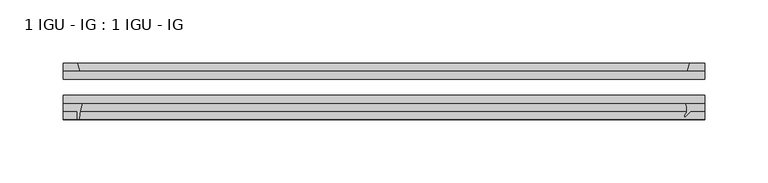
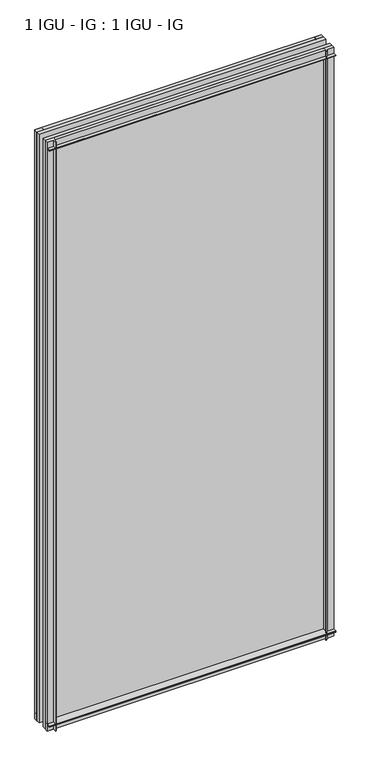
"""IFC4 building model written with IfcOpenShell, lengths in millimetres: plate geometry, 1 IGU - IG : 1 IGU - IG."""

from ifc_helpers import new_model, si_unit, point, frame, frame_2d, origin, place, context, project, spatial, polyline, circle_curve, trimmed, segment, composite_curve, outline, extrude, source, transform, mapped, element, save


def plate_1_igu_ig_1_igu_ig_953e06ad(model_context):
    return source(origin(), model_context, "Body", "SweptSolid", [
        extrude(outline(polyline([(254.0, -31.75), (254.0, -38.1), (-254.0, -38.1), (-254.0, -31.75), (254.0, -31.75)])), frame((0.0, 0.0, -11.1125), z_axis=(0.0, 0.0, 1.0), x_axis=(1.0, 0.0, 0.0)), (0.0, 0.0, 1.0), 1101.7245636),
        extrude(outline(polyline([(-254.0, -12.7), (254.0, -12.7), (254.0, -19.05), (-254.0, -19.05), (-254.0, -12.7)])), frame((0.0, 0.0, -11.1125), z_axis=(0.0, 0.0, 1.0), x_axis=(1.0, 0.0, 0.0)), (0.0, 0.0, 1.0), 1101.7245636),
        extrude(outline(polyline([(239.9410601, -12.7), (242.0463372, -6.35), (254.0, -6.35), (254.0, -12.7), (239.9410601, -12.7)])), frame((0.0, 0.0, -11.1125), z_axis=(0.0, 0.0, 1.0), x_axis=(1.0, 0.0, 0.0)), (0.0, 0.0, 1.0), 1101.7245636),
        extrude(outline(composite_curve([segment(trimmed(circle_curve(frame_2d((231.1489011, -42.5735189)), 8.7187667), [point((238.1488071, -47.7714232))], [point((238.632518, -38.1))], True, "CARTESIAN"), True, "CONTINUOUS"), segment(polyline([(238.632518, -38.1), (254.0, -38.1), (254.0, -44.45), (242.8875, -44.45), (238.4267906, -48.9107094)]), True, "CONTINUOUS"), segment(trimmed(circle_curve(frame_2d((238.7605826, -48.225708)), 0.762), [point((238.4267906, -48.9107094))], [point((238.1488071, -47.7714232))], False, "CARTESIAN"), True, "CONTINUOUS")], self_intersect=False)), frame((0.0, 0.0, -11.1125), z_axis=(0.0, 0.0, 1.0), x_axis=(1.0, 0.0, 0.0)), (0.0, 0.0, 1.0), 1101.7245636),
        extrude(outline(composite_curve([segment(polyline([(-254.0, -38.1), (-238.7063207, -38.1)]), True, "CONTINUOUS"), segment(trimmed(circle_curve(frame_2d((-195.4473044, -53.3794536)), 45.8781451), [point((-238.7063207, -38.1))], [point((-241.2075572, -50.0925922))], True, "CARTESIAN"), True, "CONTINUOUS"), segment(trimmed(circle_curve(frame_2d((-241.9675991, -50.038)), 0.762), [point((-241.2075572, -50.0925922))], [point((-241.9675991, -50.8))], False, "CARTESIAN"), True, "CONTINUOUS"), segment(polyline([(-241.9675991, -50.8), (-242.8875, -50.8), (-242.8875, -44.45), (-254.0, -44.45), (-254.0, -38.1)]), True, "CONTINUOUS")], self_intersect=False)), frame((0.0, 0.0, -11.1125), z_axis=(0.0, 0.0, 1.0), x_axis=(1.0, 0.0, 0.0)), (0.0, 0.0, 1.0), 1101.7245636),
        extrude(outline(polyline([(-240.7822229, -12.7), (-254.0, -12.7), (-254.0, -6.35), (-242.8875, -6.35), (-240.7822229, -12.7)])), frame((0.0, 0.0, -11.1125), z_axis=(0.0, 0.0, 1.0), x_axis=(1.0, 0.0, 0.0)), (0.0, 0.0, 1.0), 1101.7245636),
        extrude(outline(polyline([(-12.7, -11.1125), (-12.7, 2.1052771), (-6.35, 0.0), (-6.35, -11.1125), (-12.7, -11.1125)])), frame((-254.0, 0.0, 0.0), z_axis=(1.0, 0.0, 0.0), x_axis=(0.0, 1.0, 0.0)), (0.0, 0.0, 1.0), 508.0),
        extrude(outline(composite_curve([segment(polyline([(-38.1, 4.1811793), (-38.1, -11.1125), (-44.45, -11.1125), (-44.45, 0.0), (-50.8, 0.0), (-50.8, 0.9199009)]), True, "CONTINUOUS"), segment(trimmed(circle_curve(frame_2d((-50.038, 0.9199009)), 0.762), [point((-50.8, 0.9199009))], [point((-50.0925922, 1.6799428))], False, "CARTESIAN"), True, "CONTINUOUS"), segment(trimmed(circle_curve(frame_2d((-53.3794536, 47.4401956)), 45.8781451), [point((-50.0925922, 1.6799428))], [point((-38.1, 4.1811793))], True, "CARTESIAN"), True, "CONTINUOUS")], self_intersect=False)), frame((-254.0, 0.0, 0.0), z_axis=(1.0, 0.0, 0.0), x_axis=(0.0, 1.0, 0.0)), (0.0, 0.0, 1.0), 508.0),
        extrude(outline(polyline([(-6.35, 1079.4995636), (-12.7, 1077.3942865), (-12.7, 1090.6120636), (-6.35, 1090.6120636), (-6.35, 1079.4995636)])), frame((-254.0, 0.0, 0.0), z_axis=(1.0, 0.0, 0.0), x_axis=(0.0, 1.0, 0.0)), (0.0, 0.0, 1.0), 508.0),
        extrude(outline(composite_curve([segment(polyline([(-38.1, 1090.6120636), (-38.1, 1075.3183843)]), True, "CONTINUOUS"), segment(trimmed(circle_curve(frame_2d((-53.3794536, 1032.059368)), 45.8781451), [point((-38.1, 1075.3183843))], [point((-50.0925922, 1077.8196208))], True, "CARTESIAN"), True, "CONTINUOUS"), segment(trimmed(circle_curve(frame_2d((-50.038, 1078.5796627)), 0.762), [point((-50.0925922, 1077.8196208))], [point((-50.8, 1078.5796627))], False, "CARTESIAN"), True, "CONTINUOUS"), segment(polyline([(-50.8, 1078.5796627), (-50.8, 1079.4995636), (-44.45, 1079.4995636), (-44.45, 1090.6120636), (-38.1, 1090.6120636)]), True, "CONTINUOUS")], self_intersect=False)), frame((-254.0, 0.0, 0.0), z_axis=(1.0, 0.0, 0.0), x_axis=(0.0, 1.0, 0.0)), (0.0, 0.0, 1.0), 508.0),
    ])


if __name__ == "__main__":
    model = new_model("IFC4")
    model_context = context("Model", 3, world=origin())
    ifc_project = project(units=[si_unit("LENGTHUNIT", "METRE", prefix="MILLI")], contexts=[model_context])
    site = spatial("IfcSite", under=ifc_project)
    building = spatial("IfcBuilding", under=site)
    placement = place(None, origin())
    plate_1_igu_ig_1_igu_ig_shape = plate_1_igu_ig_1_igu_ig_953e06ad(model_context)
    element("IfcPlate", 1, ObjectType="1 IGU - IG : 1 IGU - IG", at=placement, inside=building, context=model_context, shape_type="MappedRepresentation", body=[
        mapped(plate_1_igu_ig_1_igu_ig_shape, transform((0.0, 0.0, 0.0), x_axis=(1.0, 0.0, 0.0), y_axis=(0.0, 1.0, 0.0), z_axis=(0.0, 0.0, 1.0))),
    ])
    save(model, "model.ifc")
